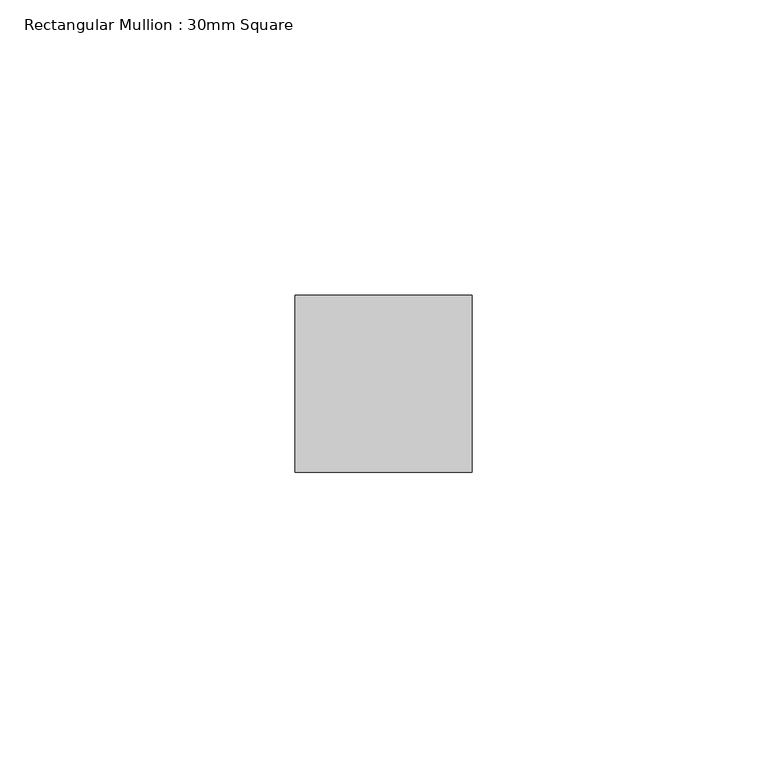
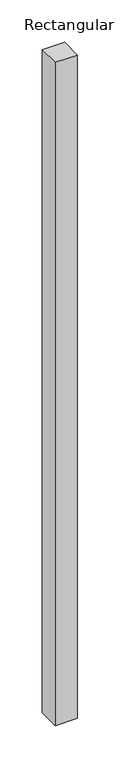
"""IFC4 building model written with IfcOpenShell, lengths in millimetres: member geometry, Rectangular Mullion : 30mm Square."""

import ifcopenshell
import ifcopenshell.guid

model = None  # the IFC model being written
_history = None  # IfcOwnerHistory: only IFC2X3 demands one
_inside = {}  # id of a spatial element -> (the spatial element, [elements in it])
_under = {}  # id of a project, library or spatial element -> (it, [spatial elements below it])
_declared = {}  # id of a project -> (the project, [libraries it declares])
_typed = {}  # id of a type object -> (the type object, [elements of that type])
_made_of = {}  # id of a material, layer set ... -> (it, [elements and type objects made of it])


def new_model(schema):
    """Start an empty IFC model of exactly this schema.

    Asked for "IFC4X3", IfcOpenShell would pick the latest addendum, in which some entities
    have other attributes; the version numbers below select the first issue.
    IFC2X3 requires an IfcOwnerHistory on every rooted entity: one is made here for all.
    """
    global model, _history
    if schema == "IFC4X3":
        model = ifcopenshell.file(schema_version=(4, 3, 0, 0))
    else:
        model = ifcopenshell.file(schema=schema)
    _inside.clear()
    _under.clear()
    _declared.clear()
    _typed.clear()
    _made_of.clear()
    _history = None
    if model.schema == "IFC2X3":
        org = make("IfcOrganization", Name="unknown")
        user = make(
            "IfcPersonAndOrganization",
            ThePerson=make("IfcPerson", FamilyName="unknown"),
            TheOrganization=org,
        )
        app = make(
            "IfcApplication",
            ApplicationDeveloper=org,
            Version="unknown",
            ApplicationFullName="unknown",
            ApplicationIdentifier="unknown",
        )
        _history = make(
            "IfcOwnerHistory",
            OwningUser=user,
            OwningApplication=app,
            ChangeAction="ADDED",
            CreationDate=0,
        )
    return model


def make(cls, **values):
    """One entity of the class cls with the attributes given. An attribute that is None is left unset."""
    return model.create_entity(
        cls, **{name: value for name, value in values.items() if value is not None}
    )


def rooted(cls, **values):
    """An entity with a GlobalId (a new one), such as an element, a storey or a relation."""
    return make(cls, GlobalId=ifcopenshell.guid.new(), OwnerHistory=_history, **values)


def si_unit(unit_type, name, prefix=None):
    """IfcSIUnit, for example si_unit("LENGTHUNIT", "METRE", prefix="MILLI")."""
    return make("IfcSIUnit", UnitType=unit_type, Prefix=prefix, Name=name)


def assignment(units):
    """IfcUnitAssignment: the units of a project."""
    return None if units is None else make("IfcUnitAssignment", Units=units)


def point(xyz):
    """IfcCartesianPoint."""
    return None if xyz is None else make("IfcCartesianPoint", Coordinates=xyz)


def direction(xyz):
    """IfcDirection."""
    return None if xyz is None else make("IfcDirection", DirectionRatios=xyz)


def frame(location, z_axis=None, x_axis=None):
    """IfcAxis2Placement3D, a coordinate frame: its origin and axes. An axis left out is left unset."""
    return make(
        "IfcAxis2Placement3D",
        Location=point(location),
        Axis=direction(z_axis),
        RefDirection=direction(x_axis),
    )


def origin():
    """The frame at (0, 0, 0) with its axes left unset."""
    return frame((0.0, 0.0, 0.0))


def place(relative_to, where):
    """IfcLocalPlacement: puts the frame where relative to a parent placement (None: the world)."""
    return make(
        "IfcLocalPlacement", PlacementRelTo=relative_to, RelativePlacement=where
    )


def context(
    kind, dimensions, precision=None, world=None, true_north=None, identifier=None
):
    """IfcGeometricRepresentationContext, for example the 3D "Model" context."""
    return make(
        "IfcGeometricRepresentationContext",
        ContextIdentifier=identifier,
        ContextType=kind,
        CoordinateSpaceDimension=dimensions,
        Precision=precision,
        WorldCoordinateSystem=world,
        TrueNorth=true_north,
    )


def project(units=None, contexts=None):
    """IfcProject with its units and contexts."""
    return rooted(
        "IfcProject",
        Name="project",
        RepresentationContexts=contexts,
        UnitsInContext=assignment(units),
    )


def spatial(cls, under=None, at=None, **own):
    """A site, building, storey or space (cls), placed at a placement, below another one or the project."""
    s = rooted(cls, ObjectPlacement=at, **own)
    if under is not None:
        _under.setdefault(under.id(), (under, []))[1].append(s)
    return s


def polyline(points):
    """IfcPolyline through the points."""
    return make("IfcPolyline", Points=[point(p) for p in points])


def outline(outer, holes=None, kind="AREA"):
    """IfcArbitraryClosedProfileDef: a profile drawn as a closed curve; with holes, ...WithVoids."""
    if holes is None:
        return make("IfcArbitraryClosedProfileDef", ProfileType=kind, OuterCurve=outer)
    return make(
        "IfcArbitraryProfileDefWithVoids",
        ProfileType=kind,
        OuterCurve=outer,
        InnerCurves=holes,
    )


def extrude(swept, where, along, depth):
    """IfcExtrudedAreaSolid: the profile swept, set in the frame where, extruded along a direction by depth."""
    return make(
        "IfcExtrudedAreaSolid",
        SweptArea=swept,
        Position=where,
        ExtrudedDirection=direction(along),
        Depth=depth,
    )


def shape(context_of_items, identifier, shape_type, items):
    """IfcShapeRepresentation: the items that make up one representation, for example the "Body"."""
    return make(
        "IfcShapeRepresentation",
        ContextOfItems=context_of_items,
        RepresentationIdentifier=identifier,
        RepresentationType=shape_type,
        Items=items,
    )


def source(mapping_origin, context_of_items, identifier, shape_type, items):
    """IfcRepresentationMap: a shape defined once, which mapped items show again and again."""
    return make(
        "IfcRepresentationMap",
        MappingOrigin=mapping_origin,
        MappedRepresentation=shape(context_of_items, identifier, shape_type, items),
    )


def transform(
    local_origin,
    x_axis=None,
    y_axis=None,
    z_axis=None,
    scale=None,
    scale2=None,
    scale3=None,
    uniform=True,
):
    """IfcCartesianTransformationOperator3D, or its non-uniform kind. x_axis, y_axis, z_axis: its Axis1, 2, 3."""
    if uniform:
        return make(
            "IfcCartesianTransformationOperator3D",
            Axis1=direction(x_axis),
            Axis2=direction(y_axis),
            LocalOrigin=point(local_origin),
            Scale=scale,
            Axis3=direction(z_axis),
        )
    return make(
        "IfcCartesianTransformationOperator3DnonUniform",
        Axis1=direction(x_axis),
        Axis2=direction(y_axis),
        LocalOrigin=point(local_origin),
        Scale=scale,
        Axis3=direction(z_axis),
        Scale2=scale2,
        Scale3=scale3,
    )


def mapped(mapping_source, mapping_target):
    """IfcMappedItem: shows the shape of a source again, moved by a transform."""
    return make(
        "IfcMappedItem", MappingSource=mapping_source, MappingTarget=mapping_target
    )


def made_of(thing, what):
    """Note that an element or type object is made of a material, layer set ...; save() writes the relation."""
    if what is not None:
        _made_of.setdefault(what.id(), (what, []))[1].append(thing)
    return thing


def element(
    cls,
    number,
    at=None,
    inside=None,
    cuts=None,
    type_object=None,
    material=None,
    context=None,
    identifier="Body",
    shape_type=None,
    held_by="IfcProductDefinitionShape",
    body=None,
    shapes=None,
    **own,
):
    """One element of the class cls, such as IfcWall. Its Tag is "e" and its number.

    at: its placement. inside: the storey or other place that contains it. cuts: it is an
    opening in that element (IfcRelVoidsElement). A single representation is given by context,
    identifier, shape_type and body (its items); several are given by shapes. held_by: the class
    of the entity that holds the representations. save() writes the other relations.
    """
    e = rooted(cls, Tag="e%d" % number, ObjectPlacement=at, **own)
    if body is not None:
        shapes = [shape(context, identifier, shape_type, body)]
    if shapes is not None:
        e.Representation = make(held_by, Representations=shapes)
    if inside is not None:
        _inside.setdefault(inside.id(), (inside, []))[1].append(e)
    if cuts is not None:
        rooted(
            "IfcRelVoidsElement", RelatingBuildingElement=cuts, RelatedOpeningElement=e
        )
    if type_object is not None:
        _typed.setdefault(type_object.id(), (type_object, []))[1].append(e)
    return made_of(e, material)


def aggregate(whole, parts):
    """IfcRelAggregates: a whole, such as a stair, and the parts it consists of."""
    return rooted("IfcRelAggregates", RelatingObject=whole, RelatedObjects=parts)


def save(model, path):
    """Write the relations noted so far, then the file.

    IfcRelAggregates (storeys below a building ...), IfcRelContainedInSpatialStructure (elements
    in a storey), IfcRelDefinesByType, IfcRelAssociatesMaterial and IfcRelDeclares: one each for
    every whole, place, type object, material and project.
    """
    for whole, parts in _under.values():
        aggregate(whole, parts)
    for where, things in _inside.values():
        rooted(
            "IfcRelContainedInSpatialStructure",
            RelatedElements=things,
            RelatingStructure=where,
        )
    for kind, things in _typed.values():
        rooted("IfcRelDefinesByType", RelatedObjects=things, RelatingType=kind)
    for what, things in _made_of.values():
        rooted("IfcRelAssociatesMaterial", RelatedObjects=things, RelatingMaterial=what)
    for by, libraries in _declared.values():
        rooted("IfcRelDeclares", RelatingContext=by, RelatedDefinitions=libraries)
    model.write(path)


def rectangular_mullion_30mm_square_0ef5d887(model_context):
    return source(origin(), model_context, "Body", "SweptSolid", [
        extrude(outline(polyline([(0.0, 15.0), (0.0, -15.0), (-30.0, -15.0), (-30.0, 15.0), (0.0, 15.0)])), frame((0.0, 0.0, -952.4471375), z_axis=(0.0, 0.0, 1.0), x_axis=(1.0, 0.0, 0.0)), (0.0, 0.0, 1.0), 952.4471375),
    ])


if __name__ == "__main__":
    model = new_model("IFC4")
    model_context = context("Model", 3, world=origin())
    ifc_project = project(units=[si_unit("LENGTHUNIT", "METRE", prefix="MILLI")], contexts=[model_context])
    site = spatial("IfcSite", under=ifc_project)
    building = spatial("IfcBuilding", under=site)
    placement = place(None, origin())
    rectangular_mullion_30mm_square_shape = rectangular_mullion_30mm_square_0ef5d887(model_context)
    element("IfcMember", 1, ObjectType="Rectangular Mullion : 30mm Square", at=placement, inside=building, context=model_context, shape_type="MappedRepresentation", body=[
        mapped(rectangular_mullion_30mm_square_shape, transform((0.0, 0.0, 0.0), x_axis=(1.0, 0.0, 0.0), y_axis=(0.0, 1.0, 0.0), z_axis=(0.0, 0.0, 1.0))),
    ])
    save(model, "model.ifc")
